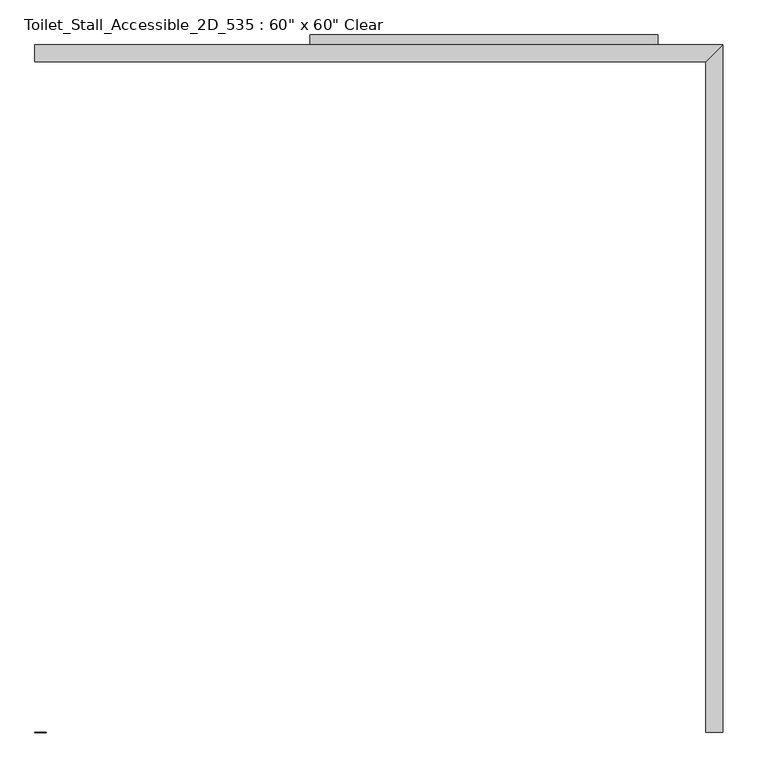
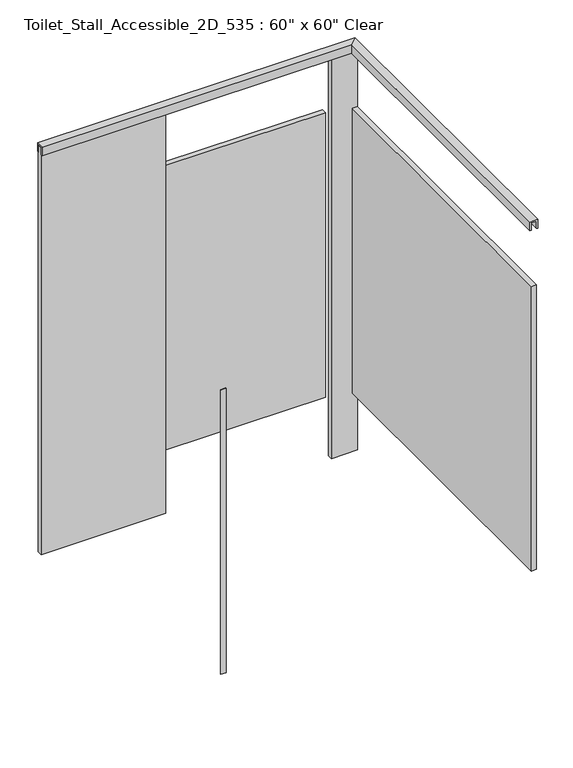
"""IFC4 building model written with IfcOpenShell, lengths in millimetres: proxy geometry."""

from ifc_helpers import new_model, si_unit, frame, origin, origin_with_axes, place, context, project, spatial, polyline, outline, extrude, faceted_brep, source, transform, mapped, element, save


def proxy_bce6cade(model_context):
    return source(origin(), model_context, "Body", "SolidModel", [
        extrude(outline(polyline([(2881.4031538, 1639.8875), (2881.4031538, 1614.4875), (2094.0031538, 1614.4875), (2094.0031538, 1639.8875), (2881.4031538, 1639.8875)])), frame((0.0, 0.0, 304.8), z_axis=(0.0, 0.0, 1.0), x_axis=(1.0, 0.0, 0.0)), (0.0, 0.0, 1.0), 1473.2),
        faceted_brep([(1471.7031538, 1611.3125, 2108.2), (1471.7031538, 1585.9125, 2108.2), (1471.7031538, 1585.9125, 2070.1), (1471.7031538, 1579.5625, 2070.1), (1471.7031538, 1579.5625, 2114.55), (1471.7031538, 1617.6625, 2114.55), (1471.7031538, 1617.6625, 2070.1), (1471.7031538, 1611.3125, 2070.1), (3021.1031538, 1611.3125, 2108.2), (2995.7031538, 1585.9125, 2108.2), (2995.7031538, 1585.9125, 2070.1), (2989.3531538, 1579.5625, 2070.1), (2989.3531538, 1579.5625, 2114.55), (3027.4531538, 1617.6625, 2114.55), (3027.4531538, 1617.6625, 2070.1), (3021.1031538, 1611.3125, 2070.1), (3021.1031538, 63.5, 2108.2), (3021.1031538, 63.5, 2070.1), (3027.4531538, 63.5, 2070.1), (3027.4531538, 63.5, 2114.55), (2989.3531538, 63.5, 2114.55), (2989.3531538, 63.5, 2070.1), (2995.7031538, 63.5, 2070.1), (2995.7031538, 63.5, 2108.2)], [[[0, 1, 2, 3, 4, 5, 6, 7]], [[1, 0, 8, 9]], [[2, 1, 9, 10]], [[3, 2, 10, 11]], [[4, 3, 11, 12]], [[5, 4, 12, 13]], [[6, 5, 13, 14]], [[7, 6, 14, 15]], [[0, 7, 15, 8]], [[16, 17, 18, 19, 20, 21, 22, 23]], [[9, 8, 16, 23]], [[10, 9, 23, 22]], [[11, 10, 22, 21]], [[12, 11, 21, 20]], [[13, 12, 20, 19]], [[14, 13, 19, 18]], [[15, 14, 18, 17]], [[8, 15, 17, 16]]]),
        extrude(outline(polyline([(2995.7031538, 1587.5), (3021.1031538, 1587.5), (3021.1031538, 63.5), (2995.7031538, 63.5), (2995.7031538, 1587.5)])), frame((0.0, 0.0, 304.8), z_axis=(0.0, 0.0, 1.0), x_axis=(1.0, 0.0, 0.0)), (0.0, 0.0, 1.0), 1473.2),
        extrude(outline(polyline([(2081.3031538, 1611.3125), (2081.3031538, 1585.9125), (1471.7031538, 1585.9125), (1471.7031538, 1611.3125), (2081.3031538, 1611.3125)])), origin_with_axes(), (0.0, 0.0, 1.0), 2108.2),
        extrude(outline(polyline([(3021.1031538, 1611.3125), (3021.1031538, 1585.9125), (2894.1031538, 1585.9125), (2894.1031538, 1611.3125), (3021.1031538, 1611.3125)])), origin_with_axes(), (0.0, 0.0, 1.0), 2108.2),
        extrude(outline(polyline([(1471.7031538, 63.5), (1497.1031538, 63.5), (1497.1031538, 61.9125), (1471.7031538, 61.9125), (1471.7031538, 63.5)])), frame((0.0, 0.0, 304.8), z_axis=(0.0, 0.0, 1.0), x_axis=(1.0, 0.0, 0.0)), (0.0, 0.0, 1.0), 1473.2),
    ])


if __name__ == "__main__":
    model = new_model("IFC4")
    model_context = context("Model", 3, world=origin())
    ifc_project = project(units=[si_unit("LENGTHUNIT", "METRE", prefix="MILLI")], contexts=[model_context])
    site = spatial("IfcSite", under=ifc_project)
    building = spatial("IfcBuilding", under=site)
    placement = place(None, origin())
    proxy_shape = proxy_bce6cade(model_context)
    element("IfcBuildingElementProxy", 1, Name="Toilet_Stall_Accessible_2D_535 : 60\" x 60\" Clear", ObjectType="Toilet_Stall_Accessible_2D_535 : 60\" x 60\" Clear", at=placement, inside=building, context=model_context, shape_type="MappedRepresentation", body=[
        mapped(proxy_shape, transform((0.0, 0.0, 0.0), x_axis=(1.0, 0.0, 0.0), y_axis=(0.0, 1.0, 0.0), z_axis=(0.0, 0.0, 1.0))),
    ])
    save(model, "model.ifc")
